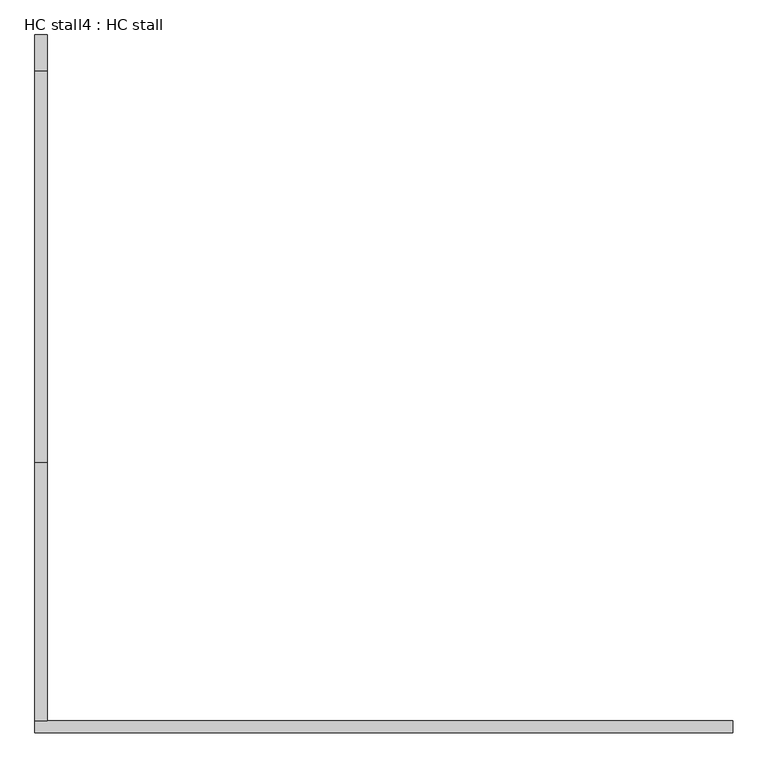
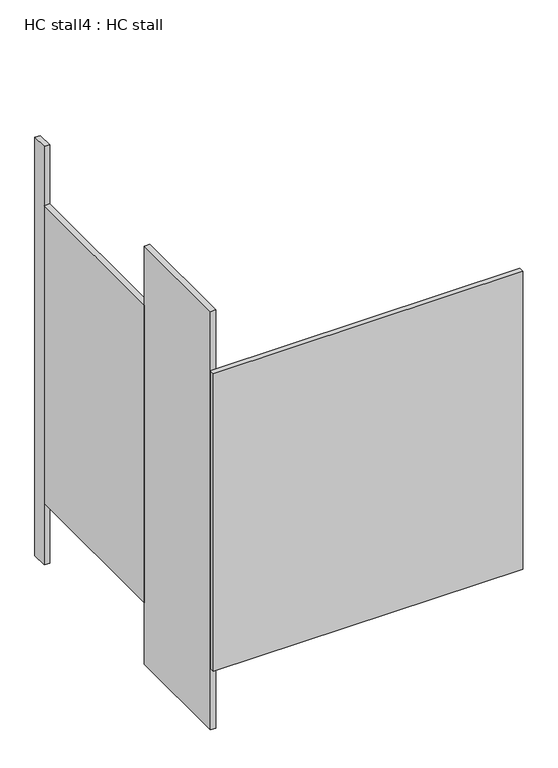
"""IFC4 building model written with IfcOpenShell, lengths in millimetres: proxy geometry, HC stall4 : HC stall."""

from ifc_helpers import new_model, si_unit, frame, origin, origin_with_axes, place, context, project, spatial, polyline, outline, extrude, source, transform, mapped, element, save


def hc_stall4_hc_stall_7a4cc2f8(model_context):
    return source(origin(), model_context, "Body", "SweptSolid", [
        extrude(outline(polyline([(456080.6004676, -266261.0363632), (456080.6004676, -266286.4363632), (454632.8004676, -266286.4363632), (454632.8004676, -266261.0363632), (456080.6004676, -266261.0363632)])), frame((0.0, 0.0, 304.8), z_axis=(0.0, 0.0, 1.0), x_axis=(1.0, 0.0, 0.0)), (0.0, 0.0, 1.0), 1473.2),
        extrude(outline(polyline([(454658.2004676, -265726.0488632), (454658.2004676, -266261.0363632), (454632.8004676, -266261.0363632), (454632.8004676, -265726.0488632), (454658.2004676, -265726.0488632)])), origin_with_axes(), (0.0, 0.0, 1.0), 2070.1),
        extrude(outline(polyline([(454658.2004676, -264838.6363632), (454658.2004676, -264913.2488632), (454632.8004676, -264913.2488632), (454632.8004676, -264838.6363632), (454658.2004676, -264838.6363632)])), origin_with_axes(), (0.0, 0.0, 1.0), 2070.1),
        extrude(outline(polyline([(454658.2004676, -264913.2488632), (454658.2004676, -265726.0488632), (454632.8004676, -265726.0488632), (454632.8004676, -264913.2488632), (454658.2004676, -264913.2488632)])), frame((0.0, 0.0, 304.8), z_axis=(0.0, 0.0, 1.0), x_axis=(1.0, 0.0, 0.0)), (0.0, 0.0, 1.0), 1473.2),
    ])


if __name__ == "__main__":
    model = new_model("IFC4")
    model_context = context("Model", 3, world=origin())
    ifc_project = project(units=[si_unit("LENGTHUNIT", "METRE", prefix="MILLI")], contexts=[model_context])
    site = spatial("IfcSite", under=ifc_project)
    building = spatial("IfcBuilding", under=site)
    placement = place(None, origin())
    hc_stall4_hc_stall_shape = hc_stall4_hc_stall_7a4cc2f8(model_context)
    element("IfcBuildingElementProxy", 1, Name="HC stall4 : HC stall", ObjectType="HC stall4 : HC stall", at=placement, inside=building, context=model_context, shape_type="MappedRepresentation", body=[
        mapped(hc_stall4_hc_stall_shape, transform((0.0, 0.0, 0.0), x_axis=(1.0, 0.0, 0.0), y_axis=(0.0, 1.0, 0.0), z_axis=(0.0, 0.0, 1.0))),
    ])
    save(model, "model.ifc")
